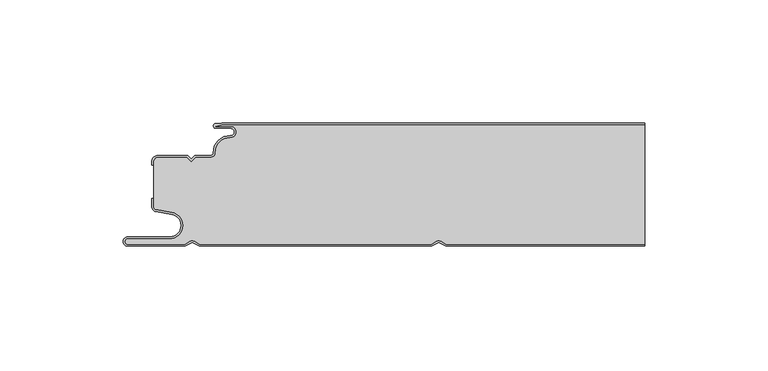
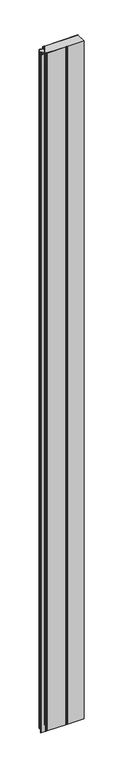
"""IFC4 building model written with IfcOpenShell, lengths in millimetres: plate geometry."""

from ifc_helpers import new_model, si_unit, point, frame, frame_2d, origin, origin_with_axes, place, context, project, spatial, polyline, circle_curve, trimmed, segment, composite_curve, outline, extrude, source, transform, mapped, element, save
from ifc_brep_helpers import plane_surface, cylinder_surface, revolved_surface, advanced_brep


def plate_b5ba3dc6(model_context):
    return source(origin(), model_context, "Body", "SolidModel", [
        advanced_brep(
        [(-71.6637731, -0.8, 3500.0), (-74.0000003, -1.3234618, 3500.0), (-68.0000003, -1.3234618, 3500.0), (-68.1134423, -5.9206625, 3500.0), (-74.1919837, -12.028303, 3500.0), (-76.0000003, -13.9234618, 3500.0), (-82.1686293, -13.9234618, 3500.0), (-84.0000002, -15.7548327, 3500.0), (-85.831371, -13.9234618, 3500.0), (-97.4, -13.9234618, 3500.0), (-99.2, -15.7234618, 3500.0), (-99.2, -34.0038437, 3500.0), (-98.2083778, -35.185613, 3500.0), (-91.7622998, -36.3222305, 3500.0), (-92.7, -47.0401924, 3500.0), (-109.7, -47.0401924, 3500.0), (-109.7, -49.2401924, 3500.0), (-86.6751286, -49.2401924, 3500.0), (-84.45, -47.9555137, 3500.0), (-82.7606357, -47.9494241, 3500.0), (-80.4557934, -49.2, 3500.0), (13.3944866, -49.2, 3500.0), (15.55, -47.9555137, 3500.0), (17.2393643, -47.9494241, 3500.0), (19.5442066, -49.2, 3500.0), (100.0, -49.2, 3500.0), (100.0, -0.8, 3500.0), (19.5442066, -49.2, 0.0), (17.2393643, -47.9494241, 0.0), (15.55, -47.9555137, 0.0), (13.3944866, -49.2, 0.0), (-80.4557934, -49.2, 0.0), (-82.7606357, -47.9494241, 0.0), (-84.45, -47.9555137, 0.0), (-86.6751286, -49.2401924, 0.0), (-109.7, -49.2401924, 0.0), (-109.7, -47.0401924, 0.0), (-92.7, -47.0401924, 0.0), (-91.7622998, -36.3222305, 0.0), (-98.2083778, -35.185613, 0.0), (-99.2, -34.0038437, 0.0), (-99.2, -15.7234618, 0.0), (-97.4, -13.9234618, 0.0), (-85.831371, -13.9234618, 0.0), (-84.0000002, -15.7548327, 0.0), (-82.1686293, -13.9234618, 0.0), (-76.0000003, -13.9234618, 0.0), (-74.2024882, -12.0288559, 0.0), (-68.1139291, -5.930521, 0.0), (-68.0000003, -1.3234618, 0.0), (-74.0000003, -1.3234618, 0.0), (-71.6637731, -0.8, 0.0), (100.0, -0.8, 0.0), (100.0, -49.2, 0.0)],
        [
            (0, 1),
            (1, 2),
            (2, 3, circle_curve(frame((-68.0000003, -3.6234618, 3500.0), z_axis=(0.0, 0.0, -1.0), x_axis=(1.0, 0.0, 0.0)), 2.3)),
            (3, 4, circle_curve(frame((-68.4000003, -11.7234618, 3500.0), z_axis=(0.0, 0.0, 1.0), x_axis=(1.0, 0.0, 0.0)), 5.8)),
            (4, 5, circle_curve(frame((-76.0000003, -12.1234618, 3500.0), z_axis=(0.0, 0.0, -1.0), x_axis=(1.0, 0.0, 0.0)), 1.8)),
            (5, 6),
            (6, 7),
            (7, 8),
            (8, 9),
            (9, 10, circle_curve(frame((-97.4, -15.7234618, 3500.0), z_axis=(0.0, 0.0, 1.0), x_axis=(1.0, 0.0, 0.0)), 1.8)),
            (10, 11),
            (11, 12, circle_curve(frame((-98.0, -34.0038437, 3500.0), z_axis=(0.0, 0.0, 1.0), x_axis=(1.0, 0.0, 0.0)), 1.2)),
            (12, 13),
            (13, 14, circle_curve(frame((-92.7, -41.6401924, 3500.0), z_axis=(0.0, 0.0, -1.0), x_axis=(1.0, 0.0, 0.0)), 5.4)),
            (14, 15),
            (15, 16, circle_curve(frame((-109.7, -48.1401924, 3500.0), z_axis=(0.0, 0.0, 1.0), x_axis=(1.0, 0.0, 0.0)), 1.1)),
            (16, 17),
            (17, 18),
            (18, 19, circle_curve(frame((-83.6, -49.4277569, 3500.0), z_axis=(0.0, 0.0, -1.0), x_axis=(1.0, 0.0, 0.0)), 1.7)),
            (19, 20),
            (20, 21),
            (21, 22),
            (22, 23, circle_curve(frame((16.4, -49.4277569, 3500.0), z_axis=(0.0, 0.0, -1.0), x_axis=(1.0, 0.0, 0.0)), 1.7)),
            (23, 24),
            (24, 25),
            (25, 26),
            (26, 0),
            (27, 28),
            (28, 29, circle_curve(frame((16.4, -49.4277569, 0.0), z_axis=(0.0, 0.0, 1.0), x_axis=(1.0, 0.0, 0.0)), 1.7)),
            (29, 30),
            (30, 31),
            (31, 32),
            (32, 33, circle_curve(frame((-83.6, -49.4277569, 0.0), z_axis=(0.0, 0.0, 1.0), x_axis=(1.0, 0.0, 0.0)), 1.7)),
            (33, 34),
            (34, 35),
            (35, 36, circle_curve(frame((-109.7, -48.1401924, 0.0), z_axis=(0.0, 0.0, -1.0), x_axis=(1.0, 0.0, 0.0)), 1.1)),
            (36, 37),
            (37, 38, circle_curve(frame((-92.7, -41.6401924, 0.0), z_axis=(0.0, 0.0, 1.0), x_axis=(1.0, 0.0, 0.0)), 5.4)),
            (38, 39),
            (39, 40, circle_curve(frame((-98.0, -34.0038437, 0.0), z_axis=(0.0, 0.0, -1.0), x_axis=(1.0, 0.0, 0.0)), 1.2)),
            (40, 41),
            (41, 42, circle_curve(frame((-97.4, -15.7234618, 0.0), z_axis=(0.0, 0.0, -1.0), x_axis=(1.0, 0.0, 0.0)), 1.8)),
            (42, 43),
            (43, 44),
            (44, 45),
            (45, 46),
            (46, 47, circle_curve(frame((-76.0000003, -12.1234618, 0.0), z_axis=(0.0, 0.0, 1.0), x_axis=(1.0, 0.0, 0.0)), 1.8)),
            (47, 48, circle_curve(frame((-68.4000003, -11.7234618, 0.0), z_axis=(0.0, 0.0, -1.0), x_axis=(1.0, 0.0, 0.0)), 5.8)),
            (48, 49, circle_curve(frame((-68.0000003, -3.6234618, 0.0), z_axis=(0.0, 0.0, 1.0), x_axis=(1.0, 0.0, 0.0)), 2.3)),
            (49, 50),
            (50, 51),
            (51, 52),
            (52, 53),
            (53, 27),
            (51, 0),
            (26, 52),
            (50, 1),
            (49, 2),
            (48, 3),
            (47, 4),
            (46, 5),
            (45, 6),
            (44, 7),
            (43, 8),
            (42, 9),
            (41, 10),
            (40, 11),
            (39, 12),
            (38, 13),
            (37, 14),
            (36, 15),
            (35, 16),
            (34, 17),
            (33, 18),
            (32, 19),
            (31, 20),
            (30, 21),
            (29, 22),
            (28, 23),
            (27, 24),
            (53, 25),
        ],
        [
            plane_surface(frame((-100.0, -50.0, 3500.0), z_axis=(0.0, 0.0, 1.0), x_axis=(0.0, 1.0, 0.0))),
            plane_surface(frame((-100.0, -50.0, 0.0), z_axis=(0.0, 0.0, -1.0), x_axis=(0.0, 1.0, 0.0))),
            plane_surface(frame((922.5460884, -0.8, 3500.0), z_axis=(0.0, 1.0, 0.0), x_axis=(0.0, 0.0, -1.0))),
            plane_surface(frame((-71.6637731, -0.8, 3500.0), z_axis=(-0.21864173282830476, 0.9758052022129398, 0.0), x_axis=(0.0, 0.0, -1.0))),
            plane_surface(frame((-74.0000003, -1.3234618, 3500.0), z_axis=(0.0, -1.0, 0.0), x_axis=(0.0, 0.0, -1.0))),
            revolved_surface(polyline([(-65.7000003, -3.6234618, 0.0), (-65.7000003, -3.6234618, 3500.0)]), (-68.0000003, -3.6234618, 3500.0), (0.0, 0.0, -1.0)),
            cylinder_surface(frame((-68.4000003, -11.7234618, 3500.0), z_axis=(0.0, 0.0, 1.0), x_axis=(1.0, 0.0, 0.0)), 5.8),
            revolved_surface(polyline([(-74.2000003, -12.1234618, 0.0), (-74.2000003, -12.1234618, 3500.0)]), (-76.0000003, -12.1234618, 3500.0), (0.0, 0.0, -1.0)),
            plane_surface(frame((-76.0000003, -13.9234618, 3500.0), z_axis=(0.0, 1.0, 0.0), x_axis=(0.0, 0.0, -1.0))),
            plane_surface(frame((-82.1686293, -13.9234618, 3500.0), z_axis=(-0.7071067810231778, 0.7071067813499173, 0.0), x_axis=(0.0, 0.0, -1.0))),
            plane_surface(frame((-84.0000002, -15.7548327, 3500.0), z_axis=(0.7071067813499173, 0.7071067810231778, 0.0), x_axis=(0.0, 0.0, -1.0))),
            plane_surface(frame((-85.831371, -13.9234618, 3500.0), z_axis=(0.0, 1.0, 0.0), x_axis=(0.0, 0.0, -1.0))),
            cylinder_surface(frame((-97.4, -15.7234618, 3500.0), z_axis=(0.0, 0.0, 1.0), x_axis=(1.0, 0.0, 0.0)), 1.8),
            plane_surface(frame((-99.2, -17.1226667, 3500.0), z_axis=(-1.0, 0.0, 0.0), x_axis=(0.0, 0.0, -1.0))),
            cylinder_surface(frame((-98.0, -34.0038437, 3500.0), z_axis=(0.0, 0.0, 1.0), x_axis=(1.0, 0.0, 0.0)), 1.2),
            plane_surface(frame((-98.2083778, -35.185613, 3500.0), z_axis=(-0.1736481776669248, -0.984807753012209, 0.0), x_axis=(0.0, 0.0, -1.0))),
            revolved_surface(polyline([(-87.3, -41.6401924, 0.0), (-87.3, -41.6401924, 3500.0)]), (-92.7, -41.6401924, 3500.0), (0.0, 0.0, -1.0)),
            plane_surface(frame((-92.7, -47.0401924, 3500.0), z_axis=(0.0, 1.0, 0.0), x_axis=(0.0, 0.0, -1.0))),
            cylinder_surface(frame((-109.7, -48.1401924, 3500.0), z_axis=(0.0, 0.0, 1.0), x_axis=(1.0, 0.0, 0.0)), 1.1),
            plane_surface(frame((-109.7, -49.2401924, 3500.0), z_axis=(0.0, -1.0, 0.0), x_axis=(0.0, 0.0, -1.0))),
            plane_surface(frame((-86.6751286, -49.2401924, 3500.0), z_axis=(0.5000000299311667, -0.8660253865036709, 0.0), x_axis=(0.0, 0.0, -1.0))),
            revolved_surface(polyline([(-81.89999999999999, -49.4277569, 0.0), (-81.89999999999999, -49.4277569, 3500.0)]), (-83.6, -49.4277569, 3500.0), (0.0, 0.0, -1.0)),
            plane_surface(frame((-82.7606357, -47.9494241, 3500.0), z_axis=(-0.47690797328217005, -0.878953232555574, 0.0), x_axis=(0.0, 0.0, -1.0))),
            plane_surface(frame((-80.4557934, -49.2, 3500.0), z_axis=(0.0, -1.0, 0.0), x_axis=(0.0, 0.0, -1.0))),
            plane_surface(frame((13.3944866, -49.2, 3500.0), z_axis=(0.5000000299307237, -0.8660253865039267, 0.0), x_axis=(0.0, 0.0, -1.0))),
            revolved_surface(polyline([(18.099999999999998, -49.4277569, 0.0), (18.099999999999998, -49.4277569, 3500.0)]), (16.4, -49.4277569, 3500.0), (0.0, 0.0, -1.0)),
            plane_surface(frame((17.2393643, -47.9494241, 3500.0), z_axis=(-0.4769079732821666, -0.8789532325555759, 0.0), x_axis=(0.0, 0.0, -1.0))),
            plane_surface(frame((19.5442066, -49.2, 3500.0), z_axis=(0.0, -1.0, 0.0), x_axis=(0.0, 0.0, -1.0))),
            plane_surface(frame((100.0, 0.0, 3500.0), z_axis=(1.0, 0.0, 0.0), x_axis=(0.0, 0.0, -1.0))),
        ],
        [
            (0, [[1, 2, 3, 4, 5, 6, 7, 8, 9, 10, 11, 12, 13, 14, 15, 16, 17, 18, 19, 20, 21, 22, 23, 24, 25, 26, 27]]),
            (1, [[28, 29, 30, 31, 32, 33, 34, 35, 36, 37, 38, 39, 40, 41, 42, 43, 44, 45, 46, 47, 48, 49, 50, 51, 52, 53, 54]]),
            (2, [[55, -27, 56, -52]]),
            (3, [[-1, -55, -51, 57]]),
            (4, [[-2, -57, -50, 58]]),
            (5, [[-3, -58, -49, 59]]),
            (6, [[-4, -59, -48, 60]]),
            (7, [[-5, -60, -47, 61]]),
            (8, [[-6, -61, -46, 62]]),
            (9, [[-7, -62, -45, 63]]),
            (10, [[-8, -63, -44, 64]]),
            (11, [[-9, -64, -43, 65]]),
            (12, [[-10, -65, -42, 66]]),
            (13, [[-11, -66, -41, 67]]),
            (14, [[-12, -67, -40, 68]]),
            (15, [[-13, -68, -39, 69]]),
            (16, [[-14, -69, -38, 70]]),
            (17, [[-15, -70, -37, 71]]),
            (18, [[-16, -71, -36, 72]]),
            (19, [[-17, -72, -35, 73]]),
            (20, [[-18, -73, -34, 74]]),
            (21, [[-19, -74, -33, 75]]),
            (22, [[-20, -75, -32, 76]]),
            (23, [[-21, -76, -31, 77]]),
            (24, [[-22, -77, -30, 78]]),
            (25, [[-23, -78, -29, 79]]),
            (26, [[-24, -79, -28, 80]]),
            (27, [[-80, -54, 81, -25]]),
            (28, [[-26, -81, -53, -56]]),
        ],
    ),
        extrude(outline(composite_curve([segment(trimmed(circle_curve(frame_2d((-98.0, -33.9636514)), 2.0), [point((-98.3472964, -35.9332669))], [point((-100.0, -33.9636514))], False, "CARTESIAN"), True, "CONTINUOUS"), segment(polyline([(-100.0, -33.9636514), (-100.0, -30.6), (-99.2, -30.6), (-99.2, -33.9636514)]), True, "CONTINUOUS"), segment(trimmed(circle_curve(frame_2d((-98.0, -33.9636514)), 1.2), [point((-99.2, -33.9636514))], [point((-98.2083778, -35.1454207))], True, "CARTESIAN"), True, "CONTINUOUS"), segment(polyline([(-98.2083778, -35.1454207), (-91.7622998, -36.2820381)]), True, "CONTINUOUS"), segment(trimmed(circle_curve(frame_2d((-92.7, -41.6)), 5.4), [point((-91.7622998, -36.2820381))], [point((-92.7, -47.0))], False, "CARTESIAN"), True, "CONTINUOUS"), segment(polyline([(-92.7, -47.0), (-109.7, -47.0)]), True, "CONTINUOUS"), segment(trimmed(circle_curve(frame_2d((-109.7, -48.1)), 1.1), [point((-109.7, -47.0))], [point((-109.7, -49.2))], True, "CARTESIAN"), True, "CONTINUOUS"), segment(polyline([(-109.7, -49.2), (-86.6751286, -49.2), (-84.45, -47.9153213)]), True, "CONTINUOUS"), segment(trimmed(circle_curve(frame_2d((-83.6, -49.3875645)), 1.7), [point((-84.45, -47.9153213))], [point((-82.7606357, -47.9092318))], False, "CARTESIAN"), True, "CONTINUOUS"), segment(polyline([(-82.7606357, -47.9092318), (-80.4557934, -49.1598076), (13.3944866, -49.1598076), (15.5499999, -47.9153213)]), True, "CONTINUOUS"), segment(trimmed(circle_curve(frame_2d((16.4, -49.3875645)), 1.7), [point((15.5499999, -47.9153213))], [point((17.2393643, -47.9092318))], False, "CARTESIAN"), True, "CONTINUOUS"), segment(polyline([(17.2393643, -47.9092318), (19.5442066, -49.1598076), (100.0, -49.1598076), (100.0, -49.9598076), (19.341154, -49.9598076), (16.85, -48.6081416)]), True, "CONTINUOUS"), segment(trimmed(circle_curve(frame_2d((16.4, -49.3875645)), 0.9), [point((16.85, -48.6081416))], [point((15.95, -48.6081416))], True, "CARTESIAN"), True, "CONTINUOUS"), segment(polyline([(15.95, -48.6081416), (13.608846, -49.9598076), (-80.658846, -49.9598076), (-83.15, -48.6081416)]), True, "CONTINUOUS"), segment(trimmed(circle_curve(frame_2d((-83.6, -49.3875645)), 0.9), [point((-83.15, -48.6081416))], [point((-84.05, -48.6081416))], True, "CARTESIAN"), True, "CONTINUOUS"), segment(polyline([(-84.05, -48.6081416), (-86.4607692, -50.0), (-109.7, -50.0)]), True, "CONTINUOUS"), segment(trimmed(circle_curve(frame_2d((-109.7, -48.1)), 1.9), [point((-109.7, -50.0))], [point((-109.7, -46.2))], False, "CARTESIAN"), True, "CONTINUOUS"), segment(polyline([(-109.7, -46.2), (-92.7, -46.2)]), True, "CONTINUOUS"), segment(trimmed(circle_curve(frame_2d((-92.7, -41.6)), 4.6), [point((-92.7, -46.2))], [point((-91.9012184, -37.0698843))], True, "CARTESIAN"), True, "CONTINUOUS"), segment(polyline([(-91.9012184, -37.0698843), (-98.3472964, -35.9332669)]), True, "CONTINUOUS")], self_intersect=False)), origin_with_axes(), (0.0, 0.0, 1.0), 3500.0),
        advanced_brep(
        [(-71.6850913, 0.0, 3500.0), (-74.0000003, -0.1234618, 3500.0), (-74.0000003, -2.1234618, 3500.0), (-68.0000003, -2.1234618, 3500.0), (-68.0739842, -5.1216362, 3500.0), (-74.990878, -12.0703501, 3500.0), (-76.0000003, -13.1234618, 3500.0), (-82.5000001, -13.1234618, 3500.0), (-84.0000002, -14.6234618, 3500.0), (-85.5000001, -13.1234618, 3500.0), (-97.4, -13.1234618, 3500.0), (-100.0, -15.7234618, 3500.0), (-100.0, -17.1226667, 3500.0), (-99.2, -17.1226667, 3500.0), (-99.2, -15.7234618, 3500.0), (-97.4, -13.9234618, 3500.0), (-85.831371, -13.9234618, 3500.0), (-84.0000002, -15.7548327, 3500.0), (-82.1686293, -13.9234618, 3500.0), (-76.0000003, -13.9234618, 3500.0), (-74.2024882, -12.0288559, 3500.0), (-68.1139291, -5.930521, 3500.0), (-68.0000003, -1.3234618, 3500.0), (-74.0000003, -1.3234618, 3500.0), (-71.6637731, -0.8, 3500.0), (100.0, -0.8, 3500.0), (100.0, 0.0, 3500.0), (-71.6637731, -0.8, 0.0), (-74.0000003, -1.3234618, 0.0), (-68.0000003, -1.3234618, 0.0), (-68.1134423, -5.9206625, 0.0), (-74.1919837, -12.028303, 0.0), (-76.0000003, -13.9234618, 0.0), (-82.1686293, -13.9234618, 0.0), (-84.0000002, -15.7548327, 0.0), (-85.831371, -13.9234618, 0.0), (-97.4, -13.9234618, 0.0), (-99.2, -15.7234618, 0.0), (-99.2, -17.1226667, 0.0), (-100.0, -17.1226667, 0.0), (-100.0, -15.7234618, 0.0), (-97.4, -13.1234618, 0.0), (-85.5000001, -13.1234618, 0.0), (-84.0000002, -14.6234618, 0.0), (-82.5000001, -13.1234618, 0.0), (-76.0000003, -13.1234618, 0.0), (-75.0013825, -12.070903, 0.0), (-68.0744711, -5.1314947, 0.0), (-68.0000003, -2.1234618, 0.0), (-74.0000003, -2.1234618, 0.0), (-74.0000003, -0.1234618, 0.0), (-71.6850913, 0.0, 0.0), (100.0, 0.0, 0.0), (100.0, -0.8, 0.0)],
        [
            (0, 1),
            (1, 2, circle_curve(frame((-74.0000003, -1.1234618, 3500.0), z_axis=(0.0, 0.0, 1.0), x_axis=(1.0, 0.0, 0.0)), 1.0)),
            (2, 3),
            (3, 4, circle_curve(frame((-68.0000003, -3.6234618, 3500.0), z_axis=(0.0, 0.0, -1.0), x_axis=(1.0, 0.0, 0.0)), 1.5)),
            (4, 5, circle_curve(frame((-68.4000003, -11.7234618, 3500.0), z_axis=(0.0, 0.0, 1.0), x_axis=(1.0, 0.0, 0.0)), 6.6)),
            (5, 6, circle_curve(frame((-76.0000003, -12.1234618, 3500.0), z_axis=(0.0, 0.0, -1.0), x_axis=(1.0, 0.0, 0.0)), 1.0)),
            (6, 7),
            (7, 8),
            (8, 9),
            (9, 10),
            (10, 11, circle_curve(frame((-97.4, -15.7234618, 3500.0), z_axis=(0.0, 0.0, 1.0), x_axis=(1.0, 0.0, 0.0)), 2.6)),
            (11, 12),
            (12, 13),
            (13, 14),
            (14, 15, circle_curve(frame((-97.4, -15.7234618, 3500.0), z_axis=(0.0, 0.0, -1.0), x_axis=(1.0, 0.0, 0.0)), 1.8)),
            (15, 16),
            (16, 17),
            (17, 18),
            (18, 19),
            (19, 20, circle_curve(frame((-76.0000003, -12.1234618, 3500.0), z_axis=(0.0, 0.0, 1.0), x_axis=(1.0, 0.0, 0.0)), 1.8)),
            (20, 21, circle_curve(frame((-68.4000003, -11.7234618, 3500.0), z_axis=(0.0, 0.0, -1.0), x_axis=(1.0, 0.0, 0.0)), 5.8)),
            (21, 22, circle_curve(frame((-68.0000003, -3.6234618, 3500.0), z_axis=(0.0, 0.0, 1.0), x_axis=(1.0, 0.0, 0.0)), 2.3)),
            (22, 23),
            (23, 24),
            (24, 25),
            (25, 26),
            (26, 0),
            (27, 28),
            (28, 29),
            (29, 30, circle_curve(frame((-68.0000003, -3.6234618, 0.0), z_axis=(0.0, 0.0, -1.0), x_axis=(1.0, 0.0, 0.0)), 2.3)),
            (30, 31, circle_curve(frame((-68.4000003, -11.7234618, 0.0), z_axis=(0.0, 0.0, 1.0), x_axis=(1.0, 0.0, 0.0)), 5.8)),
            (31, 32, circle_curve(frame((-76.0000003, -12.1234618, 0.0), z_axis=(0.0, 0.0, -1.0), x_axis=(1.0, 0.0, 0.0)), 1.8)),
            (32, 33),
            (33, 34),
            (34, 35),
            (35, 36),
            (36, 37, circle_curve(frame((-97.4, -15.7234618, 0.0), z_axis=(0.0, 0.0, 1.0), x_axis=(1.0, 0.0, 0.0)), 1.8)),
            (37, 38),
            (38, 39),
            (39, 40),
            (40, 41, circle_curve(frame((-97.4, -15.7234618, 0.0), z_axis=(0.0, 0.0, -1.0), x_axis=(1.0, 0.0, 0.0)), 2.6)),
            (41, 42),
            (42, 43),
            (43, 44),
            (44, 45),
            (45, 46, circle_curve(frame((-76.0000003, -12.1234618, 0.0), z_axis=(0.0, 0.0, 1.0), x_axis=(1.0, 0.0, 0.0)), 1.0)),
            (46, 47, circle_curve(frame((-68.4000003, -11.7234618, 0.0), z_axis=(0.0, 0.0, -1.0), x_axis=(1.0, 0.0, 0.0)), 6.6)),
            (47, 48, circle_curve(frame((-68.0000003, -3.6234618, 0.0), z_axis=(0.0, 0.0, 1.0), x_axis=(1.0, 0.0, 0.0)), 1.5)),
            (48, 49),
            (49, 50, circle_curve(frame((-74.0000003, -1.1234618, 0.0), z_axis=(0.0, 0.0, -1.0), x_axis=(1.0, 0.0, 0.0)), 1.0)),
            (50, 51),
            (51, 52),
            (52, 53),
            (53, 27),
            (51, 0),
            (26, 52),
            (50, 1),
            (49, 2),
            (48, 3),
            (47, 4),
            (46, 5),
            (45, 6),
            (44, 7),
            (43, 8),
            (42, 9),
            (41, 10),
            (40, 11),
            (39, 12),
            (38, 13),
            (37, 14),
            (36, 15),
            (35, 16),
            (34, 17),
            (33, 18),
            (32, 19),
            (31, 20),
            (30, 21),
            (29, 22),
            (28, 23),
            (27, 24),
            (53, 25),
        ],
        [
            plane_surface(frame((-100.0, 0.0, 3500.0), z_axis=(0.0, 0.0, 1.0), x_axis=(0.0, 1.0, 0.0))),
            plane_surface(frame((-100.0, 0.0, 0.0), z_axis=(0.0, 0.0, -1.0), x_axis=(0.0, 1.0, 0.0))),
            plane_surface(frame((922.5460884, 0.0, 3500.0), z_axis=(0.0, 1.0, 0.0), x_axis=(0.0, 0.0, -1.0))),
            plane_surface(frame((-71.6850913, 0.0, 3500.0), z_axis=(-0.053257642916100786, 0.9985808046778293, 0.0), x_axis=(0.0, 0.0, -1.0))),
            cylinder_surface(frame((-74.0000003, -1.1234618, 3500.0), z_axis=(0.0, 0.0, 1.0), x_axis=(1.0, 0.0, 0.0)), 1.0),
            plane_surface(frame((-74.0000003, -2.1234618, 3500.0), z_axis=(0.0, -1.0, 0.0), x_axis=(0.0, 0.0, -1.0))),
            revolved_surface(polyline([(-66.5000003, -3.6234618, 0.0), (-66.5000003, -3.6234618, 3500.0)]), (-68.0000003, -3.6234618, 3500.0), (0.0, 0.0, -1.0)),
            cylinder_surface(frame((-68.4000003, -11.7234618, 3500.0), z_axis=(0.0, 0.0, 1.0), x_axis=(1.0, 0.0, 0.0)), 6.6),
            revolved_surface(polyline([(-75.0000003, -12.1234618, 0.0), (-75.0000003, -12.1234618, 3500.0)]), (-76.0000003, -12.1234618, 3500.0), (0.0, 0.0, -1.0)),
            plane_surface(frame((-76.0000003, -13.1234618, 3500.0), z_axis=(0.0, 1.0, 0.0), x_axis=(0.0, 0.0, -1.0))),
            plane_surface(frame((-82.5000001, -13.1234618, 3500.0), z_axis=(-0.7071067810229229, 0.7071067813501721, 0.0), x_axis=(0.0, 0.0, -1.0))),
            plane_surface(frame((-84.0000002, -14.6234618, 3500.0), z_axis=(0.7071067813500019, 0.7071067810230931, 0.0), x_axis=(0.0, 0.0, -1.0))),
            plane_surface(frame((-85.5000001, -13.1234618, 3500.0), z_axis=(0.0, 1.0, 0.0), x_axis=(0.0, 0.0, -1.0))),
            cylinder_surface(frame((-97.4, -15.7234618, 3500.0), z_axis=(0.0, 0.0, 1.0), x_axis=(1.0, 0.0, 0.0)), 2.6),
            plane_surface(frame((-100.0, -15.7234618, 3500.0), z_axis=(-1.0, 0.0, 0.0), x_axis=(0.0, 0.0, -1.0))),
            plane_surface(frame((-100.0, -17.1226667, 3500.0), z_axis=(0.0, -1.0, 0.0), x_axis=(0.0, 0.0, -1.0))),
            plane_surface(frame((-99.2, -17.1226667, 3500.0), z_axis=(1.0, 0.0, 0.0), x_axis=(0.0, 0.0, -1.0))),
            revolved_surface(polyline([(-95.60000000000001, -15.7234618, 0.0), (-95.60000000000001, -15.7234618, 3500.0)]), (-97.4, -15.7234618, 3500.0), (0.0, 0.0, -1.0)),
            plane_surface(frame((-97.4, -13.9234618, 3500.0), z_axis=(0.0, -1.0, 0.0), x_axis=(0.0, 0.0, -1.0))),
            plane_surface(frame((-85.831371, -13.9234618, 3500.0), z_axis=(-0.7071067813500018, -0.7071067810230932, 0.0), x_axis=(0.0, 0.0, -1.0))),
            plane_surface(frame((-84.0000002, -15.7548327, 3500.0), z_axis=(0.7071067810229222, -0.7071067813501728, 0.0), x_axis=(0.0, 0.0, -1.0))),
            plane_surface(frame((-82.1686293, -13.9234618, 3500.0), z_axis=(0.0, -1.0, 0.0), x_axis=(0.0, 0.0, -1.0))),
            cylinder_surface(frame((-76.0000003, -12.1234618, 3500.0), z_axis=(0.0, 0.0, 1.0), x_axis=(1.0, 0.0, 0.0)), 1.8),
            revolved_surface(polyline([(-62.600000300000005, -11.7234618, 0.0), (-62.600000300000005, -11.7234618, 3500.0)]), (-68.4000003, -11.7234618, 3500.0), (0.0, 0.0, -1.0)),
            cylinder_surface(frame((-68.0000003, -3.6234618, 3500.0), z_axis=(0.0, 0.0, 1.0), x_axis=(1.0, 0.0, 0.0)), 2.3),
            plane_surface(frame((-68.0000003, -1.3234618, 3500.0), z_axis=(0.0, 1.0, 0.0), x_axis=(0.0, 0.0, -1.0))),
            plane_surface(frame((-74.0000003, -1.3234618, 3500.0), z_axis=(0.21864173282829105, -0.9758052022129429, 0.0), x_axis=(0.0, 0.0, -1.0))),
            plane_surface(frame((-71.6637731, -0.8, 3500.0), z_axis=(0.0, -1.0, 0.0), x_axis=(0.0, 0.0, -1.0))),
            plane_surface(frame((100.0, 0.0, 3500.0), z_axis=(1.0, 0.0, 0.0), x_axis=(0.0, 0.0, -1.0))),
        ],
        [
            (0, [[1, 2, 3, 4, 5, 6, 7, 8, 9, 10, 11, 12, 13, 14, 15, 16, 17, 18, 19, 20, 21, 22, 23, 24, 25, 26, 27]]),
            (1, [[28, 29, 30, 31, 32, 33, 34, 35, 36, 37, 38, 39, 40, 41, 42, 43, 44, 45, 46, 47, 48, 49, 50, 51, 52, 53, 54]]),
            (2, [[55, -27, 56, -52]]),
            (3, [[-1, -55, -51, 57]]),
            (4, [[-2, -57, -50, 58]]),
            (5, [[-3, -58, -49, 59]]),
            (6, [[-4, -59, -48, 60]]),
            (7, [[-5, -60, -47, 61]]),
            (8, [[-6, -61, -46, 62]]),
            (9, [[-7, -62, -45, 63]]),
            (10, [[-8, -63, -44, 64]]),
            (11, [[-9, -64, -43, 65]]),
            (12, [[-10, -65, -42, 66]]),
            (13, [[-11, -66, -41, 67]]),
            (14, [[-12, -67, -40, 68]]),
            (15, [[-13, -68, -39, 69]]),
            (16, [[-14, -69, -38, 70]]),
            (17, [[-15, -70, -37, 71]]),
            (18, [[-16, -71, -36, 72]]),
            (19, [[-17, -72, -35, 73]]),
            (20, [[-18, -73, -34, 74]]),
            (21, [[-19, -74, -33, 75]]),
            (22, [[-20, -75, -32, 76]]),
            (23, [[-21, -76, -31, 77]]),
            (24, [[-22, -77, -30, 78]]),
            (25, [[-23, -78, -29, 79]]),
            (26, [[-24, -79, -28, 80]]),
            (27, [[-80, -54, 81, -25]]),
            (28, [[-26, -81, -53, -56]]),
        ],
    ),
    ])


if __name__ == "__main__":
    model = new_model("IFC4")
    model_context = context("Model", 3, world=origin())
    ifc_project = project(units=[si_unit("LENGTHUNIT", "METRE", prefix="MILLI")], contexts=[model_context])
    site = spatial("IfcSite", under=ifc_project)
    building = spatial("IfcBuilding", under=site)
    placement = place(None, origin())
    plate_shape = plate_b5ba3dc6(model_context)
    element("IfcPlate", 1, at=placement, inside=building, context=model_context, shape_type="MappedRepresentation", body=[
        mapped(plate_shape, transform((0.0, 0.0, 0.0), x_axis=(1.0, 0.0, 0.0), y_axis=(0.0, 1.0, 0.0), z_axis=(0.0, 0.0, 1.0))),
    ])
    save(model, "model.ifc")
